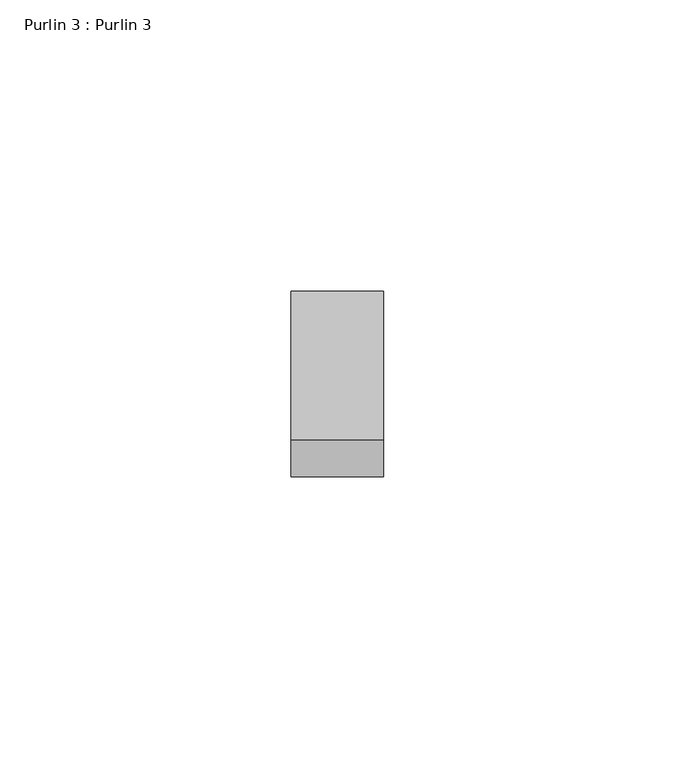
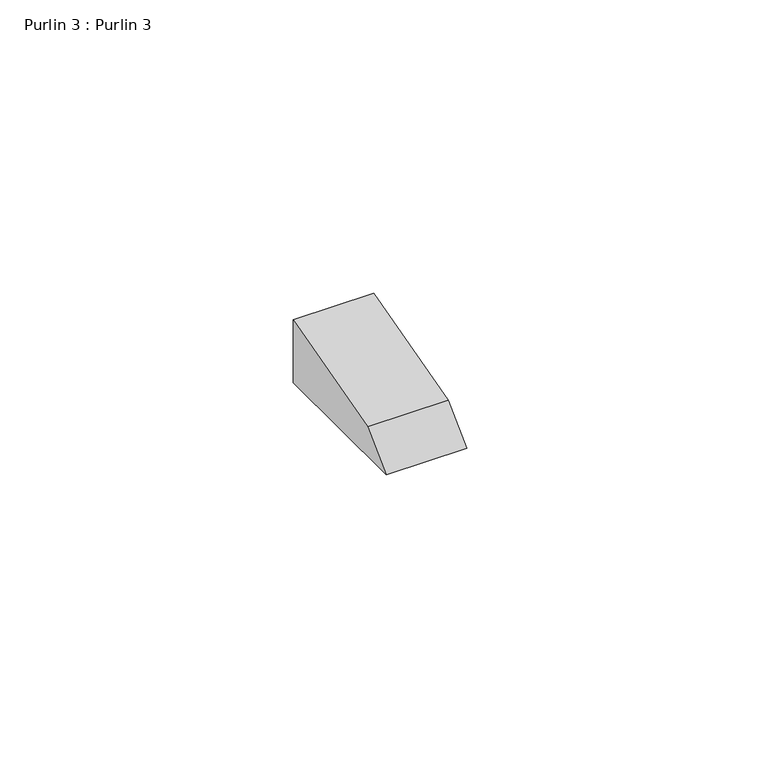
"""IFC4 building model written with IfcOpenShell, lengths in millimetres: proxy geometry, Purlin 3 : Purlin 3."""

from ifc_helpers import new_model, si_unit, frame, origin, place, context, project, spatial, polyline, outline, extrude, source, transform, mapped, element, save


def purlin_3_purlin_3_670984cf(model_context):
    return source(origin(), model_context, "Body", "SweptSolid", [
        extrude(outline(polyline([(1380.9130824, 2287.9178282), (1349.1630824, 2287.9178282), (1355.4152148, 2294.1699605), (1380.9130824, 2301.0020936), (1380.9130824, 2287.9178282)])), frame((-5138.086916, 0.0, 0.0), z_axis=(1.0, 0.0, 0.0), x_axis=(0.0, 1.0, 0.0)), (0.0, 0.0, 1.0), 15.869307),
    ])


if __name__ == "__main__":
    model = new_model("IFC4")
    model_context = context("Model", 3, world=origin())
    ifc_project = project(units=[si_unit("LENGTHUNIT", "METRE", prefix="MILLI")], contexts=[model_context])
    site = spatial("IfcSite", under=ifc_project)
    building = spatial("IfcBuilding", under=site)
    placement = place(None, origin())
    purlin_3_purlin_3_shape = purlin_3_purlin_3_670984cf(model_context)
    element("IfcBuildingElementProxy", 1, Name="Purlin 3 : Purlin 3", ObjectType="Purlin 3 : Purlin 3", at=placement, inside=building, context=model_context, shape_type="MappedRepresentation", body=[
        mapped(purlin_3_purlin_3_shape, transform((0.0, 0.0, 0.0), x_axis=(1.0, 0.0, 0.0), y_axis=(0.0, 1.0, 0.0), z_axis=(0.0, 0.0, 1.0))),
    ])
    save(model, "model.ifc")
